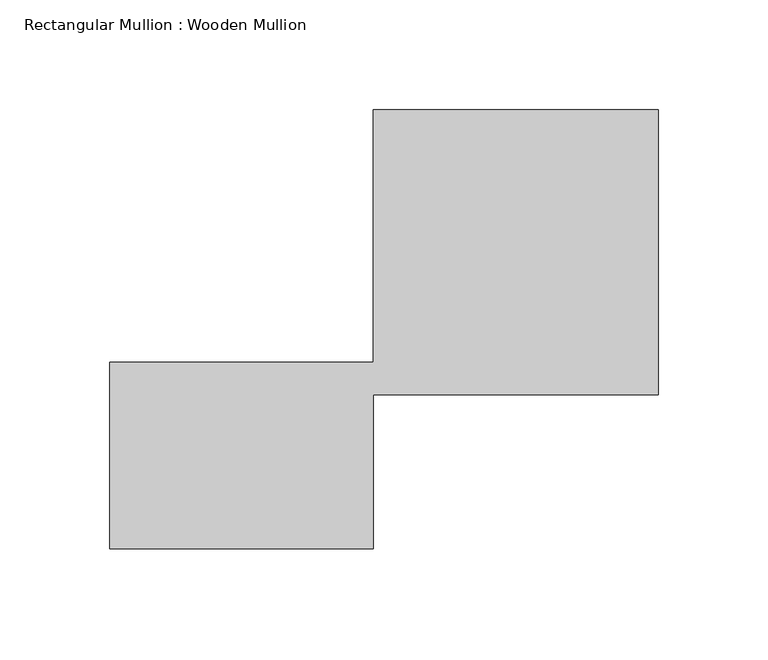
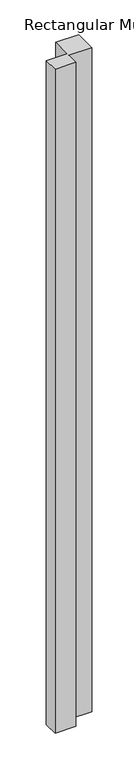
"""IFC4 building model written with IfcOpenShell, lengths in millimetres: member geometry, Rectangular Mullion : Wooden Mullion."""

from ifc_helpers import new_model, si_unit, frame, origin, place, context, project, spatial, polyline, outline, extrude, source, transform, mapped, element, save


def rectangular_mullion_wooden_mullion_45a39de7(model_context):
    return source(origin(), model_context, "Body", "SweptSolid", [
        extrude(outline(polyline([(74.8100006, -26.0137344), (-45.1899994, -26.0137344), (-45.1899994, 58.9862656), (74.8100006, 58.9862656), (74.8100006, 173.9862656), (204.8100006, 173.9862656), (204.8100006, 43.9862656), (74.8100006, 43.9862656), (74.8100006, -26.0137344)])), frame((0.0, 0.0, -4023.5633242), z_axis=(0.0, 0.0, 1.0), x_axis=(1.0, 0.0, 0.0)), (0.0, 0.0, 1.0), 4023.5633242),
    ])


if __name__ == "__main__":
    model = new_model("IFC4")
    model_context = context("Model", 3, world=origin())
    ifc_project = project(units=[si_unit("LENGTHUNIT", "METRE", prefix="MILLI")], contexts=[model_context])
    site = spatial("IfcSite", under=ifc_project)
    building = spatial("IfcBuilding", under=site)
    placement = place(None, origin())
    rectangular_mullion_wooden_mullion_shape = rectangular_mullion_wooden_mullion_45a39de7(model_context)
    element("IfcMember", 1, ObjectType="Rectangular Mullion : Wooden Mullion", at=placement, inside=building, context=model_context, shape_type="MappedRepresentation", body=[
        mapped(rectangular_mullion_wooden_mullion_shape, transform((0.0, 0.0, 0.0), x_axis=(1.0, 0.0, 0.0), y_axis=(0.0, 1.0, 0.0), z_axis=(0.0, 0.0, 1.0))),
    ])
    save(model, "model.ifc")
